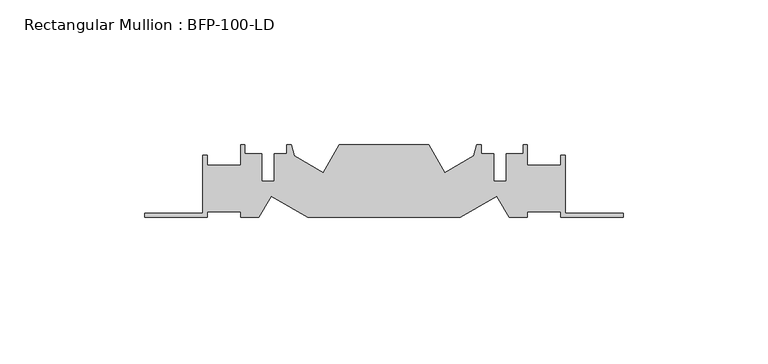
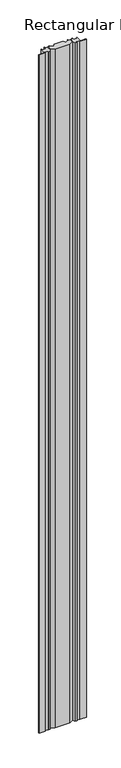
"""IFC4 building model written with IfcOpenShell, lengths in millimetres: member geometry, Rectangular Mullion : BFP-100-LD."""

from ifc_helpers import new_model, si_unit, frame, origin, place, context, project, spatial, polyline, outline, extrude, source, transform, mapped, element, save


def rectangular_mullion_bfp_100_ld_be832e78(model_context):
    return source(origin(), model_context, "Body", "SweptSolid", [
        extrude(outline(polyline([(38.9790017, 27.3331761), (26.2775681, 20.0), (-26.2775681, 20.0), (-38.9790017, 27.3331761), (-43.2128129, 20.0), (-49.5, 20.0), (-49.5, 22.0), (-61.0, 22.0), (-61.0, 20.0), (-82.5, 20.0), (-82.5, 21.5), (-62.5, 21.5), (-62.5, 41.5), (-61.0, 41.5), (-61.0, 38.0), (-49.5, 38.0), (-49.5, 45.0), (-48.0, 45.0), (-48.0, 42.0), (-42.1, 42.0), (-42.1, 32.4), (-37.9, 32.4), (-37.9, 42.0), (-33.5, 42.0), (-33.5, 45.0), (-32.0, 45.0), (-30.9790017, 41.1895826), (-21.0197096, 35.4395826), (-15.5, 45.0), (15.5, 45.0), (21.0197096, 35.4395826), (30.9790017, 41.1895826), (32.0, 45.0), (33.5, 45.0), (33.5, 42.0), (37.9, 42.0), (37.9, 32.4), (42.1, 32.4), (42.1, 42.0), (48.0, 42.0), (48.0, 45.0), (49.5, 45.0), (49.5, 38.0), (61.0, 38.0), (61.0, 41.5), (62.5, 41.5), (62.5, 21.5), (82.5, 21.5), (82.5, 20.0), (61.0, 20.0), (61.0, 22.0), (49.5, 22.0), (49.5, 20.0), (43.2128129, 20.0), (38.9790017, 27.3331761)])), frame((0.0, 0.0, -2490.0), z_axis=(0.0, 0.0, 1.0), x_axis=(1.0, 0.0, 0.0)), (0.0, 0.0, 1.0), 2490.0),
    ])


if __name__ == "__main__":
    model = new_model("IFC4")
    model_context = context("Model", 3, world=origin())
    ifc_project = project(units=[si_unit("LENGTHUNIT", "METRE", prefix="MILLI")], contexts=[model_context])
    site = spatial("IfcSite", under=ifc_project)
    building = spatial("IfcBuilding", under=site)
    placement = place(None, origin())
    rectangular_mullion_bfp_100_ld_shape = rectangular_mullion_bfp_100_ld_be832e78(model_context)
    element("IfcMember", 1, ObjectType="Rectangular Mullion : BFP-100-LD", at=placement, inside=building, context=model_context, shape_type="MappedRepresentation", body=[
        mapped(rectangular_mullion_bfp_100_ld_shape, transform((0.0, 0.0, 0.0), x_axis=(1.0, 0.0, 0.0), y_axis=(0.0, 1.0, 0.0), z_axis=(0.0, 0.0, 1.0))),
    ])
    save(model, "model.ifc")
